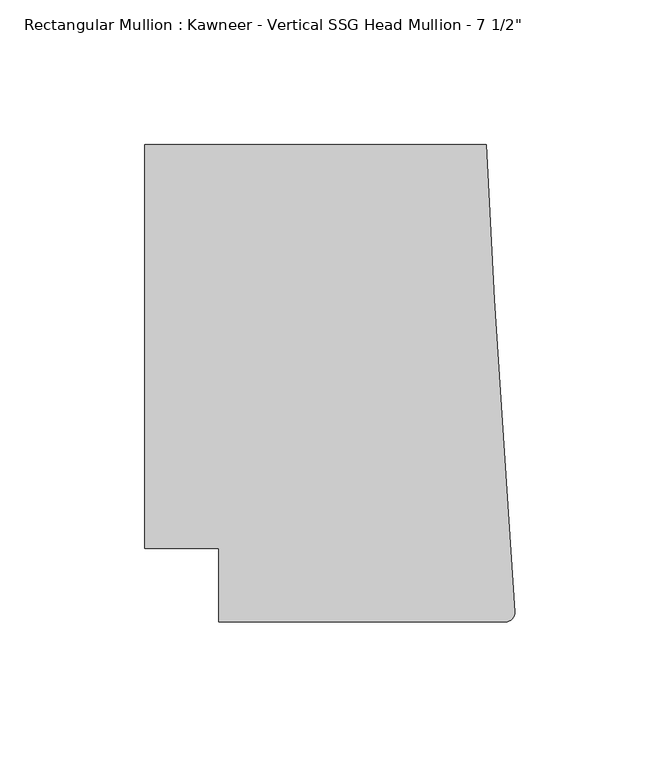
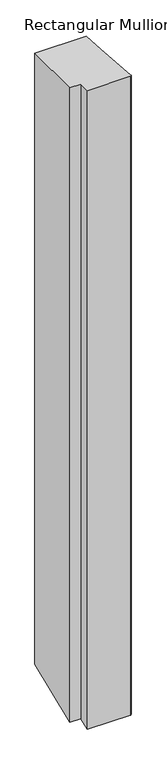
"""IFC4 building model written with IfcOpenShell, lengths in millimetres: member geometry."""

from ifc_helpers import new_model, si_unit, frame, origin, place, context, project, spatial, circle_curve, ellipse_curve, source, transform, mapped, element, save
from ifc_brep_helpers import plane_surface, cylinder_surface, advanced_brep


def member_41577a69(model_context):
    return source(origin(), model_context, "Body", "AdvancedBrep", [
        advanced_brep(
        [(-102.08978, -12.7, 0.0), (-3.175, -12.7, 0.0), (-0.006635, -9.3198462, 0.0), (-6.9873394, 98.4891117, 0.0), (-9.7860662, 151.892, 0.0), (-127.4896668, 151.892, 0.0), (-127.4896668, 12.7, 0.0), (-102.08978, 12.7, 0.0), (-102.08978, -12.7, -1553.2419831), (-3.175, -12.7, -1553.2419831), (-0.006635, -9.3198462, -1551.8418775), (-6.9873394, 98.4891117, -1507.185945), (-9.7860662, 151.892, -1485.0657444), (-127.4896668, 151.892, -1485.0657444), (-127.4896668, 12.7, -1542.7209586), (-102.08978, 12.7, -1542.7209586)],
        [
            (0, 1),
            (1, 2, circle_curve(frame((-3.175, -9.525, 0.0), z_axis=(0.0, 0.0, 1.0), x_axis=(0.0, -1.0, 0.0)), 3.175)),
            (2, 3),
            (3, 4),
            (4, 5),
            (5, 6),
            (6, 7),
            (7, 0),
            (0, 8),
            (8, 9),
            (9, 1),
            (9, 10, ellipse_curve(frame((-3.175, -9.525, -1551.926855), z_axis=(0.0, -0.38268343236508784, 0.9238795325112875), x_axis=(0.0, 0.9238795325112876, 0.38268343236508806)), 3.4365952, 3.175)),
            (10, 2),
            (10, 11),
            (11, 3),
            (11, 12),
            (12, 4),
            (12, 13),
            (13, 5),
            (13, 14),
            (14, 6),
            (14, 15),
            (15, 7),
            (15, 8),
        ],
        [
            plane_surface(frame((0.0, -198.3048028, 0.0), z_axis=(0.0, 0.0, 1.0), x_axis=(-1.0, 0.0, 0.0))),
            plane_surface(frame((-102.08978, -12.7, 0.0), z_axis=(0.0, -1.0, 0.0), x_axis=(0.0, 0.0, -1.0))),
            cylinder_surface(frame((-3.175, -9.525, 0.0), z_axis=(0.0, 0.0, 1.0), x_axis=(0.0, -1.0, 0.0)), 3.175),
            plane_surface(frame((-0.006635, -9.3198462, 0.0), z_axis=(0.9979102429769694, 0.06461537712995265, 0.0), x_axis=(0.0, 0.0, -1.0))),
            plane_surface(frame((-6.9873394, 98.4891117, 0.0), z_axis=(0.9986295347545738, 0.05233595624294541, 0.0), x_axis=(0.0, 0.0, -1.0))),
            plane_surface(frame((-9.7860662, 151.892, 0.0), z_axis=(0.0, 1.0, 0.0), x_axis=(0.0, 0.0, -1.0))),
            plane_surface(frame((-127.4896668, 151.892, 0.0), z_axis=(-1.0, 0.0, 0.0), x_axis=(0.0, 0.0, -1.0))),
            plane_surface(frame((-127.4896668, 12.7, 0.0), z_axis=(0.0, -1.0, 0.0), x_axis=(0.0, 0.0, -1.0))),
            plane_surface(frame((-102.08978, 12.7, 0.0), z_axis=(-1.0, 0.0, 0.0), x_axis=(0.0, 0.0, -1.0))),
            plane_surface(frame((-304.8, 0.0, -1547.9814708), z_axis=(0.0, 0.38268343236508784, -0.9238795325112875), x_axis=(0.0, 0.9238795325112875, 0.38268343236508784))),
        ],
        [
            (0, [[1, 2, 3, 4, 5, 6, 7, 8]]),
            (1, [[-1, 9, 10, 11]]),
            (2, [[-2, -11, 12, 13]]),
            (3, [[-3, -13, 14, 15]]),
            (4, [[-4, -15, 16, 17]]),
            (5, [[-5, -17, 18, 19]]),
            (6, [[-6, -19, 20, 21]]),
            (7, [[-7, -21, 22, 23]]),
            (8, [[-8, -23, 24, -9]]),
            (9, [[-24, -22, -20, -18, -16, -14, -12, -10]]),
        ],
    ),
    ])


if __name__ == "__main__":
    model = new_model("IFC4")
    model_context = context("Model", 3, world=origin())
    ifc_project = project(units=[si_unit("LENGTHUNIT", "METRE", prefix="MILLI")], contexts=[model_context])
    site = spatial("IfcSite", under=ifc_project)
    building = spatial("IfcBuilding", under=site)
    placement = place(None, origin())
    member_shape = member_41577a69(model_context)
    element("IfcMember", 1, ObjectType="Rectangular Mullion : Kawneer - Vertical SSG Head Mullion - 7 1/2\"", at=placement, inside=building, context=model_context, shape_type="MappedRepresentation", body=[
        mapped(member_shape, transform((0.0, 0.0, 0.0), x_axis=(1.0, 0.0, 0.0), y_axis=(0.0, 1.0, 0.0), z_axis=(0.0, 0.0, 1.0))),
    ])
    save(model, "model.ifc")
